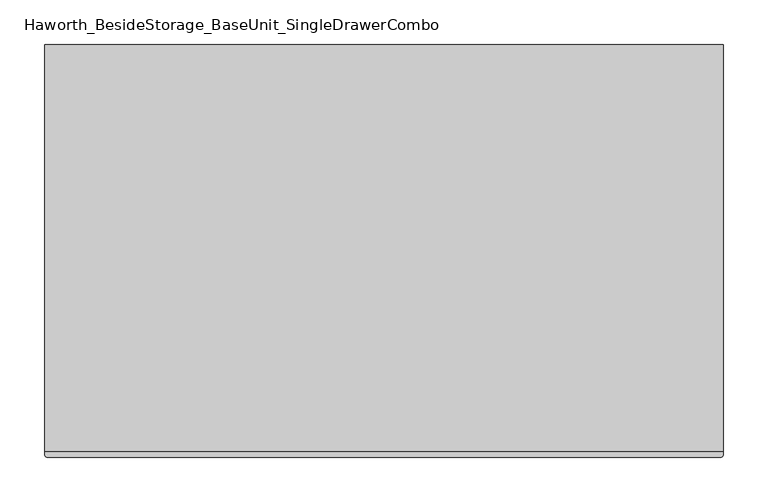
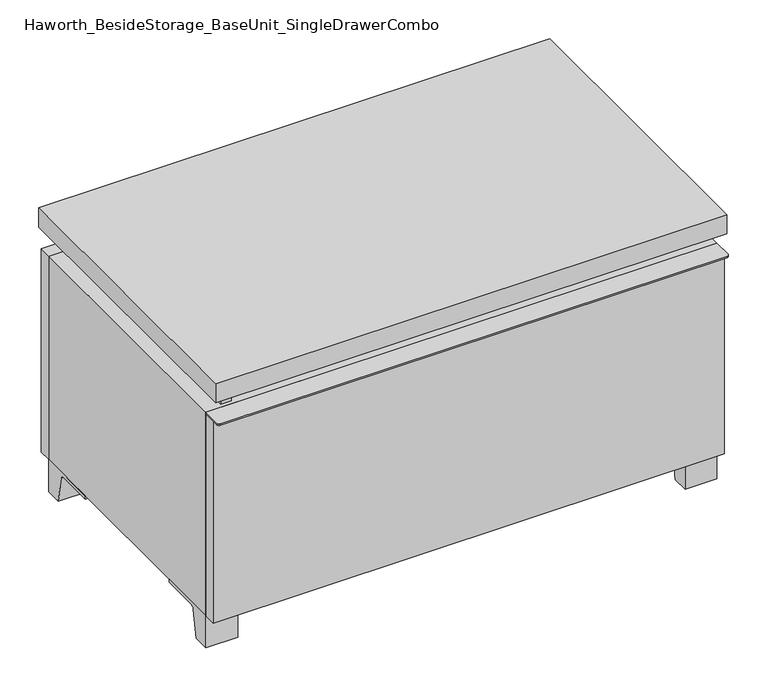
"""IFC4 building model written with IfcOpenShell, lengths in millimetres: furniture geometry, Haworth_BesideStorage_BaseUnit_SingleDrawerCombo."""

from ifc_helpers import new_model, si_unit, point, frame, frame_2d, origin, place, context, project, spatial, polyline, circle_curve, trimmed, segment, composite_curve, outline, extrude, source, transform, mapped, element, save


def haworth_besidestorage_baseunit_singledrawercombo_3bcaacb3(model_context):
    return source(origin(), model_context, "Body", "SweptSolid", [
        extrude(outline(composite_curve([segment(polyline([(381.0138906, -139.7), (381.0138906, -168.275)]), True, "CONTINUOUS"), segment(trimmed(circle_curve(frame_2d((377.8388906, -168.275)), 3.175), [point((381.0138906, -168.275))], [point((377.8388906, -171.45))], False, "CARTESIAN"), True, "CONTINUOUS"), segment(polyline([(377.8388906, -171.45), (-377.8111094, -171.45)]), True, "CONTINUOUS"), segment(trimmed(circle_curve(frame_2d((-377.8111094, -168.275)), 3.175), [point((-377.8111094, -171.45))], [point((-380.9861094, -168.275))], False, "CARTESIAN"), True, "CONTINUOUS"), segment(polyline([(-380.9861094, -168.275), (-380.9861094, -139.7), (381.0138906, -139.7)]), True, "CONTINUOUS")], self_intersect=False)), frame((0.0, 0.0, 369.09375), z_axis=(0.0, 0.0, 1.0), x_axis=(1.0, 0.0, 0.0)), (0.0, 0.0, 1.0), 2.38125),
        extrude(outline(polyline([(381.0138906, -139.7), (381.0138906, -158.75), (-380.9861094, -158.75), (-380.9861094, -139.7), (381.0138906, -139.7)])), frame((0.0, 0.0, 50.8), z_axis=(0.0, 0.0, 1.0), x_axis=(1.0, 0.0, 0.0)), (0.0, 0.0, 1.0), 318.29375),
        extrude(outline(polyline([(381.0138906, 292.1), (381.0138906, -165.1), (-380.9861094, -165.1), (-380.9861094, 292.1), (381.0138906, 292.1)])), frame((0.0, 0.0, 401.6375), z_axis=(0.0, 0.0, 1.0), x_axis=(1.0, 0.0, 0.0)), (0.0, 0.0, 1.0), 30.1625),
        extrude(outline(composite_curve([segment(polyline([(-114.3000136, 0.0), (-139.7, 0.0), (-139.7, 50.8), (-44.45, 50.8), (-44.45, 46.0213321), (-101.2505345, 46.0213321)]), True, "CONTINUOUS"), segment(trimmed(circle_curve(frame_2d((-101.2505345, 39.6713321)), 6.35), [point((-101.2505345, 46.0213321))], [point((-107.5141359, 40.7152656))], True, "CARTESIAN"), True, "CONTINUOUS"), segment(polyline([(-107.5141359, 40.7152656), (-114.3000136, 0.0)]), True, "CONTINUOUS")], self_intersect=False)), frame((333.3888906, 0.0, 0.0), z_axis=(1.0, 0.0, 0.0), x_axis=(0.0, 1.0, 0.0)), (0.0, 0.0, 1.0), 47.625),
        extrude(outline(composite_curve([segment(polyline([(241.3000136, 0.0), (234.5141359, 40.7152656)]), True, "CONTINUOUS"), segment(trimmed(circle_curve(frame_2d((228.2505345, 39.6713321)), 6.35), [point((234.5141359, 40.7152656))], [point((228.2505345, 46.0213321))], True, "CARTESIAN"), True, "CONTINUOUS"), segment(polyline([(228.2505345, 46.0213321), (171.45, 46.0213321), (171.45, 50.8), (266.7, 50.8), (266.7, 0.0), (241.3000136, 0.0)]), True, "CONTINUOUS")], self_intersect=False)), frame((333.3888906, 0.0, 0.0), z_axis=(1.0, 0.0, 0.0), x_axis=(0.0, 1.0, 0.0)), (0.0, 0.0, 1.0), 47.625),
        extrude(outline(composite_curve([segment(polyline([(-114.3000136, 0.0), (-139.7, 0.0), (-139.7, 50.8), (-44.45, 50.8), (-44.45, 46.0213321), (-101.2505345, 46.0213321)]), True, "CONTINUOUS"), segment(trimmed(circle_curve(frame_2d((-101.2505345, 39.6713321)), 6.35), [point((-101.2505345, 46.0213321))], [point((-107.5141359, 40.7152656))], True, "CARTESIAN"), True, "CONTINUOUS"), segment(polyline([(-107.5141359, 40.7152656), (-114.3000136, 0.0)]), True, "CONTINUOUS")], self_intersect=False)), frame((-380.9861094, 0.0, 0.0), z_axis=(1.0, 0.0, 0.0), x_axis=(0.0, 1.0, 0.0)), (0.0, 0.0, 1.0), 47.625),
        extrude(outline(composite_curve([segment(polyline([(241.3000136, 0.0), (234.5141359, 40.7152656)]), True, "CONTINUOUS"), segment(trimmed(circle_curve(frame_2d((228.2505345, 39.6713321)), 6.35), [point((234.5141359, 40.7152656))], [point((228.2505345, 46.0213321))], True, "CARTESIAN"), True, "CONTINUOUS"), segment(polyline([(228.2505345, 46.0213321), (171.45, 46.0213321), (171.45, 50.8), (266.7, 50.8), (266.7, 0.0), (241.3000136, 0.0)]), True, "CONTINUOUS")], self_intersect=False)), frame((-380.9861094, 0.0, 0.0), z_axis=(1.0, 0.0, 0.0), x_axis=(0.0, 1.0, 0.0)), (0.0, 0.0, 1.0), 47.625),
        extrude(outline(polyline([(-355.5791641, -133.35), (-355.5791641, 234.95), (-339.7041641, 234.95), (-339.7041641, 73.025), (339.7111094, 73.025), (339.7111094, 247.65), (355.5861094, 247.65), (355.5861094, -120.65), (339.7111094, -120.65), (339.7111094, 53.975), (-339.7041641, 53.975), (-339.7041641, -133.35), (-355.5791641, -133.35)])), frame((0.0, 0.0, 371.475), z_axis=(0.0, 0.0, 1.0), x_axis=(1.0, 0.0, 0.0)), (0.0, 0.0, 1.0), 30.1625),
        extrude(outline(polyline([(381.0138906, 266.7), (-380.9861094, 266.7), (-380.9861094, 285.75), (381.0138906, 285.75), (381.0138906, 266.7)])), frame((0.0, 0.0, 50.8), z_axis=(0.0, 0.0, 1.0), x_axis=(1.0, 0.0, 0.0)), (0.0, 0.0, 1.0), 320.675),
        extrude(outline(polyline([(50.8, -380.9861094), (50.8, 381.0), (371.475, 381.0), (371.475, -380.9861094), (50.8, -380.9861094)]), holes=[polyline([(69.85, -361.9361094), (352.425, -361.9361094), (352.425, 361.9361094), (69.85, 361.9361094), (69.85, -361.9361094)])]), frame((0.0, -139.7, 0.0), z_axis=(0.0, 1.0, 0.0), x_axis=(0.0, 0.0, 1.0)), (0.0, 0.0, 1.0), 406.4),
        extrude(outline(polyline([(-361.9291641, 234.95), (-361.9291641, 241.3), (361.9569453, 241.3), (361.9569453, 234.95), (-361.9291641, 234.95)])), frame((0.0, 0.0, 69.85), z_axis=(0.0, 0.0, 1.0), x_axis=(1.0, 0.0, 0.0)), (0.0, 0.0, 1.0), 282.575),
    ])


if __name__ == "__main__":
    model = new_model("IFC4")
    model_context = context("Model", 3, world=origin())
    ifc_project = project(units=[si_unit("LENGTHUNIT", "METRE", prefix="MILLI")], contexts=[model_context])
    site = spatial("IfcSite", under=ifc_project)
    building = spatial("IfcBuilding", under=site)
    placement = place(None, origin())
    haworth_besidestorage_baseunit_singledrawercombo_shape = haworth_besidestorage_baseunit_singledrawercombo_3bcaacb3(model_context)
    element("IfcFurniture", 1, ObjectType="Haworth_BesideStorage_BaseUnit_SingleDrawerCombo", at=placement, inside=building, context=model_context, shape_type="MappedRepresentation", body=[
        mapped(haworth_besidestorage_baseunit_singledrawercombo_shape, transform((0.0, 0.0, 0.0), x_axis=(1.0, 0.0, 0.0), y_axis=(0.0, 1.0, 0.0), z_axis=(0.0, 0.0, 1.0))),
    ])
    save(model, "model.ifc")
